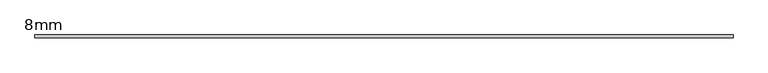
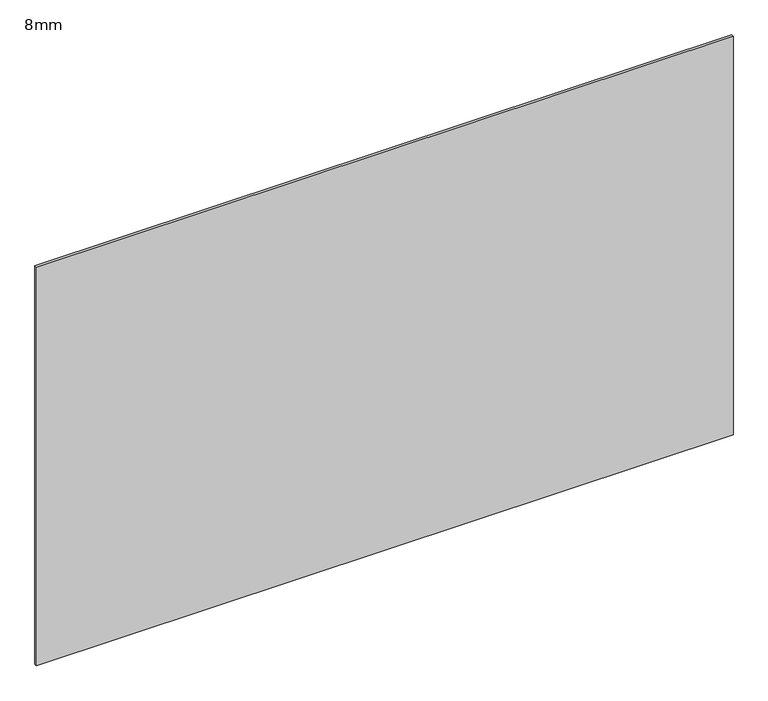
"""IFC4 building model written with IfcOpenShell, lengths in millimetres: plate geometry, 8mm."""

import ifcopenshell
import ifcopenshell.guid

model = None  # the IFC model being written
_history = None  # IfcOwnerHistory: only IFC2X3 demands one
_inside = {}  # id of a spatial element -> (the spatial element, [elements in it])
_under = {}  # id of a project, library or spatial element -> (it, [spatial elements below it])
_declared = {}  # id of a project -> (the project, [libraries it declares])
_typed = {}  # id of a type object -> (the type object, [elements of that type])
_made_of = {}  # id of a material, layer set ... -> (it, [elements and type objects made of it])


def new_model(schema):
    """Start an empty IFC model of exactly this schema.

    Asked for "IFC4X3", IfcOpenShell would pick the latest addendum, in which some entities
    have other attributes; the version numbers below select the first issue.
    IFC2X3 requires an IfcOwnerHistory on every rooted entity: one is made here for all.
    """
    global model, _history
    if schema == "IFC4X3":
        model = ifcopenshell.file(schema_version=(4, 3, 0, 0))
    else:
        model = ifcopenshell.file(schema=schema)
    _inside.clear()
    _under.clear()
    _declared.clear()
    _typed.clear()
    _made_of.clear()
    _history = None
    if model.schema == "IFC2X3":
        org = make("IfcOrganization", Name="unknown")
        user = make(
            "IfcPersonAndOrganization",
            ThePerson=make("IfcPerson", FamilyName="unknown"),
            TheOrganization=org,
        )
        app = make(
            "IfcApplication",
            ApplicationDeveloper=org,
            Version="unknown",
            ApplicationFullName="unknown",
            ApplicationIdentifier="unknown",
        )
        _history = make(
            "IfcOwnerHistory",
            OwningUser=user,
            OwningApplication=app,
            ChangeAction="ADDED",
            CreationDate=0,
        )
    return model


def make(cls, **values):
    """One entity of the class cls with the attributes given. An attribute that is None is left unset."""
    return model.create_entity(
        cls, **{name: value for name, value in values.items() if value is not None}
    )


def rooted(cls, **values):
    """An entity with a GlobalId (a new one), such as an element, a storey or a relation."""
    return make(cls, GlobalId=ifcopenshell.guid.new(), OwnerHistory=_history, **values)


def si_unit(unit_type, name, prefix=None):
    """IfcSIUnit, for example si_unit("LENGTHUNIT", "METRE", prefix="MILLI")."""
    return make("IfcSIUnit", UnitType=unit_type, Prefix=prefix, Name=name)


def assignment(units):
    """IfcUnitAssignment: the units of a project."""
    return None if units is None else make("IfcUnitAssignment", Units=units)


def point(xyz):
    """IfcCartesianPoint."""
    return None if xyz is None else make("IfcCartesianPoint", Coordinates=xyz)


def direction(xyz):
    """IfcDirection."""
    return None if xyz is None else make("IfcDirection", DirectionRatios=xyz)


def frame(location, z_axis=None, x_axis=None):
    """IfcAxis2Placement3D, a coordinate frame: its origin and axes. An axis left out is left unset."""
    return make(
        "IfcAxis2Placement3D",
        Location=point(location),
        Axis=direction(z_axis),
        RefDirection=direction(x_axis),
    )


def origin():
    """The frame at (0, 0, 0) with its axes left unset."""
    return frame((0.0, 0.0, 0.0))


def origin_with_axes():
    """The frame at (0, 0, 0) with the z axis (0, 0, 1) and the x axis (1, 0, 0) written out."""
    return frame((0.0, 0.0, 0.0), z_axis=(0.0, 0.0, 1.0), x_axis=(1.0, 0.0, 0.0))


def place(relative_to, where):
    """IfcLocalPlacement: puts the frame where relative to a parent placement (None: the world)."""
    return make(
        "IfcLocalPlacement", PlacementRelTo=relative_to, RelativePlacement=where
    )


def context(
    kind, dimensions, precision=None, world=None, true_north=None, identifier=None
):
    """IfcGeometricRepresentationContext, for example the 3D "Model" context."""
    return make(
        "IfcGeometricRepresentationContext",
        ContextIdentifier=identifier,
        ContextType=kind,
        CoordinateSpaceDimension=dimensions,
        Precision=precision,
        WorldCoordinateSystem=world,
        TrueNorth=true_north,
    )


def project(units=None, contexts=None):
    """IfcProject with its units and contexts."""
    return rooted(
        "IfcProject",
        Name="project",
        RepresentationContexts=contexts,
        UnitsInContext=assignment(units),
    )


def spatial(cls, under=None, at=None, **own):
    """A site, building, storey or space (cls), placed at a placement, below another one or the project."""
    s = rooted(cls, ObjectPlacement=at, **own)
    if under is not None:
        _under.setdefault(under.id(), (under, []))[1].append(s)
    return s


def polyline(points):
    """IfcPolyline through the points."""
    return make("IfcPolyline", Points=[point(p) for p in points])


def outline(outer, holes=None, kind="AREA"):
    """IfcArbitraryClosedProfileDef: a profile drawn as a closed curve; with holes, ...WithVoids."""
    if holes is None:
        return make("IfcArbitraryClosedProfileDef", ProfileType=kind, OuterCurve=outer)
    return make(
        "IfcArbitraryProfileDefWithVoids",
        ProfileType=kind,
        OuterCurve=outer,
        InnerCurves=holes,
    )


def extrude(swept, where, along, depth):
    """IfcExtrudedAreaSolid: the profile swept, set in the frame where, extruded along a direction by depth."""
    return make(
        "IfcExtrudedAreaSolid",
        SweptArea=swept,
        Position=where,
        ExtrudedDirection=direction(along),
        Depth=depth,
    )


def shape(context_of_items, identifier, shape_type, items):
    """IfcShapeRepresentation: the items that make up one representation, for example the "Body"."""
    return make(
        "IfcShapeRepresentation",
        ContextOfItems=context_of_items,
        RepresentationIdentifier=identifier,
        RepresentationType=shape_type,
        Items=items,
    )


def source(mapping_origin, context_of_items, identifier, shape_type, items):
    """IfcRepresentationMap: a shape defined once, which mapped items show again and again."""
    return make(
        "IfcRepresentationMap",
        MappingOrigin=mapping_origin,
        MappedRepresentation=shape(context_of_items, identifier, shape_type, items),
    )


def transform(
    local_origin,
    x_axis=None,
    y_axis=None,
    z_axis=None,
    scale=None,
    scale2=None,
    scale3=None,
    uniform=True,
):
    """IfcCartesianTransformationOperator3D, or its non-uniform kind. x_axis, y_axis, z_axis: its Axis1, 2, 3."""
    if uniform:
        return make(
            "IfcCartesianTransformationOperator3D",
            Axis1=direction(x_axis),
            Axis2=direction(y_axis),
            LocalOrigin=point(local_origin),
            Scale=scale,
            Axis3=direction(z_axis),
        )
    return make(
        "IfcCartesianTransformationOperator3DnonUniform",
        Axis1=direction(x_axis),
        Axis2=direction(y_axis),
        LocalOrigin=point(local_origin),
        Scale=scale,
        Axis3=direction(z_axis),
        Scale2=scale2,
        Scale3=scale3,
    )


def mapped(mapping_source, mapping_target):
    """IfcMappedItem: shows the shape of a source again, moved by a transform."""
    return make(
        "IfcMappedItem", MappingSource=mapping_source, MappingTarget=mapping_target
    )


def made_of(thing, what):
    """Note that an element or type object is made of a material, layer set ...; save() writes the relation."""
    if what is not None:
        _made_of.setdefault(what.id(), (what, []))[1].append(thing)
    return thing


def element(
    cls,
    number,
    at=None,
    inside=None,
    cuts=None,
    type_object=None,
    material=None,
    context=None,
    identifier="Body",
    shape_type=None,
    held_by="IfcProductDefinitionShape",
    body=None,
    shapes=None,
    **own,
):
    """One element of the class cls, such as IfcWall. Its Tag is "e" and its number.

    at: its placement. inside: the storey or other place that contains it. cuts: it is an
    opening in that element (IfcRelVoidsElement). A single representation is given by context,
    identifier, shape_type and body (its items); several are given by shapes. held_by: the class
    of the entity that holds the representations. save() writes the other relations.
    """
    e = rooted(cls, Tag="e%d" % number, ObjectPlacement=at, **own)
    if body is not None:
        shapes = [shape(context, identifier, shape_type, body)]
    if shapes is not None:
        e.Representation = make(held_by, Representations=shapes)
    if inside is not None:
        _inside.setdefault(inside.id(), (inside, []))[1].append(e)
    if cuts is not None:
        rooted(
            "IfcRelVoidsElement", RelatingBuildingElement=cuts, RelatedOpeningElement=e
        )
    if type_object is not None:
        _typed.setdefault(type_object.id(), (type_object, []))[1].append(e)
    return made_of(e, material)


def aggregate(whole, parts):
    """IfcRelAggregates: a whole, such as a stair, and the parts it consists of."""
    return rooted("IfcRelAggregates", RelatingObject=whole, RelatedObjects=parts)


def save(model, path):
    """Write the relations noted so far, then the file.

    IfcRelAggregates (storeys below a building ...), IfcRelContainedInSpatialStructure (elements
    in a storey), IfcRelDefinesByType, IfcRelAssociatesMaterial and IfcRelDeclares: one each for
    every whole, place, type object, material and project.
    """
    for whole, parts in _under.values():
        aggregate(whole, parts)
    for where, things in _inside.values():
        rooted(
            "IfcRelContainedInSpatialStructure",
            RelatedElements=things,
            RelatingStructure=where,
        )
    for kind, things in _typed.values():
        rooted("IfcRelDefinesByType", RelatedObjects=things, RelatingType=kind)
    for what, things in _made_of.values():
        rooted("IfcRelAssociatesMaterial", RelatedObjects=things, RelatingMaterial=what)
    for by, libraries in _declared.values():
        rooted("IfcRelDeclares", RelatingContext=by, RelatedDefinitions=libraries)
    model.write(path)


def plate_8mm_1a59c3ef(model_context):
    return source(origin(), model_context, "Body", "SweptSolid", [
        extrude(outline(polyline([(1033.3333333, 4.0), (1033.3333333, -4.0), (-1033.3333333, -4.0), (-1033.3333333, 4.0), (1033.3333333, 4.0)])), origin_with_axes(), (0.0, 0.0, 1.0), 1250.0),
    ])


if __name__ == "__main__":
    model = new_model("IFC4")
    model_context = context("Model", 3, world=origin())
    ifc_project = project(units=[si_unit("LENGTHUNIT", "METRE", prefix="MILLI")], contexts=[model_context])
    site = spatial("IfcSite", under=ifc_project)
    building = spatial("IfcBuilding", under=site)
    placement = place(None, origin())
    plate_8mm_shape = plate_8mm_1a59c3ef(model_context)
    element("IfcPlate", 1, ObjectType="8mm", at=placement, inside=building, context=model_context, shape_type="MappedRepresentation", body=[
        mapped(plate_8mm_shape, transform((0.0, 0.0, 0.0), x_axis=(1.0, 0.0, 0.0), y_axis=(0.0, 1.0, 0.0), z_axis=(0.0, 0.0, 1.0))),
    ])
    save(model, "model.ifc")
